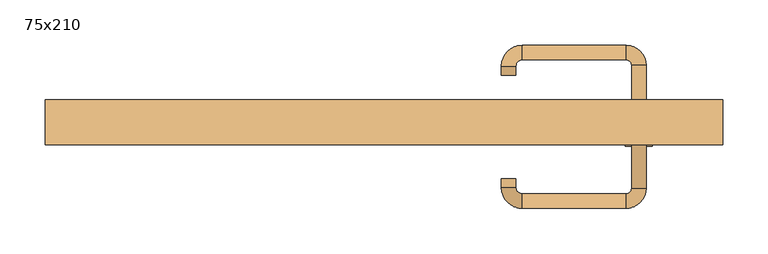
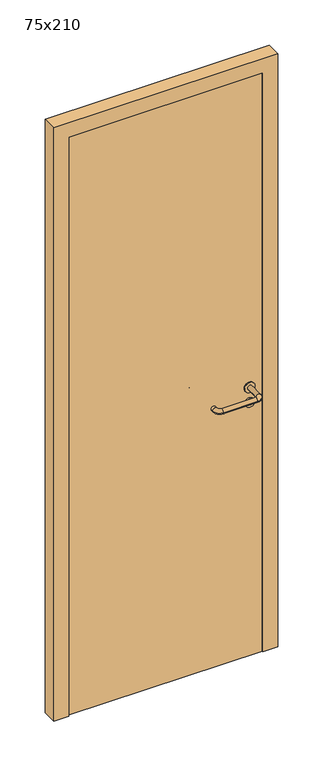
"""IFC4 building model written with IfcOpenShell, lengths in millimetres: door geometry, 75x210."""

from ifc_helpers import new_model, si_unit, point, frame, frame_2d, origin, origin_with_axes, place, context, project, spatial, polyline, circle_curve, ellipse_curve, trimmed, segment, composite_curve, outline, extrude, source, transform, mapped, element, save
from ifc_brep_helpers import plane_surface, cylinder_surface, revolved_surface, advanced_brep


def door_75x210_94205342(model_context):
    return source(origin(), model_context, "Body", "SolidModel", [
        extrude(outline(composite_curve([segment(trimmed(circle_curve(frame_2d((897.3605726, 282.0)), 15.0), [point((897.3605726, 297.0))], [point((897.3605726, 267.0))], False, "CARTESIAN"), True, "CONTINUOUS"), segment(trimmed(circle_curve(frame_2d((897.3605726, 282.0)), 15.0), [point((897.3605726, 267.0))], [point((897.3605726, 297.0))], False, "CARTESIAN"), True, "CONTINUOUS")], self_intersect=False), holes=[composite_curve([segment(trimmed(circle_curve(frame_2d((892.5833211, 281.9398032)), 2.0), [point((892.5833211, 283.9398032))], [point((892.5833211, 279.9398032))], True, "CARTESIAN"), True, "CONTINUOUS"), segment(polyline([(892.5833211, 279.9398032), (902.5833211, 279.9398032)]), True, "CONTINUOUS"), segment(trimmed(circle_curve(frame_2d((902.5833211, 281.9398032)), 2.0), [point((902.5833211, 279.9398032))], [point((902.5833211, 283.9398032))], True, "CARTESIAN"), True, "CONTINUOUS"), segment(polyline([(902.5833211, 283.9398032), (892.5833211, 283.9398032)]), True, "CONTINUOUS")], self_intersect=False)]), frame((0.0, -65.0, 0.0), z_axis=(0.0, 1.0, 0.0), x_axis=(0.0, 0.0, 1.0)), (0.0, 0.0, 1.0), 6.35),
        extrude(outline(composite_curve([segment(trimmed(circle_curve(frame_2d((950.0, 282.0)), 17.526), [point((950.0, 299.526))], [point((950.0, 264.474))], False, "CARTESIAN"), True, "CONTINUOUS"), segment(trimmed(circle_curve(frame_2d((950.0, 282.0)), 17.526), [point((950.0, 264.474))], [point((950.0, 299.526))], False, "CARTESIAN"), True, "CONTINUOUS")], self_intersect=False)), frame((0.0, -65.0, 0.0), z_axis=(0.0, 1.0, 0.0), x_axis=(0.0, 0.0, 1.0)), (0.0, 0.0, 1.0), 3.175),
        advanced_brep(
        [(290.0, -65.0, 950.0), (274.0, -65.0, 950.0), (290.0, -12.0, 950.0), (274.0, -12.0, 950.0), (267.8578644, -5.8578644, 950.0), (267.8578644, 10.1421356, 950.0), (152.8578644, 10.1421356, 950.0), (152.8578644, -5.8578644, 950.0), (146.008622, -12.7071068, 950.0), (130.008622, -12.7071068, 950.0), (130.008622, -22.7071068, 950.0), (146.008622, -22.7071068, 950.0)],
        [
            (0, 1, circle_curve(frame((282.0, -65.0, 950.0), z_axis=(0.0, -1.0, 0.0), x_axis=(-1.0, 0.0, 0.0)), 8.0)),
            (1, 0, circle_curve(frame((282.0, -65.0, 950.0), z_axis=(0.0, -1.0, 0.0), x_axis=(-1.0, 0.0, 0.0)), 8.0)),
            (0, 2),
            (2, 3, circle_curve(frame((282.0, -12.0, 950.0), z_axis=(0.0, -1.0, 0.0), x_axis=(-1.0, 0.0, 0.0)), 8.0)),
            (3, 1),
            (3, 2, circle_curve(frame((282.0, -12.0, 950.0), z_axis=(0.0, -1.0, 0.0), x_axis=(-1.0, 0.0, 0.0)), 8.0)),
            (4, 3, circle_curve(frame((267.8578644, -12.0, 950.0), z_axis=(0.0, 0.0, -1.0), x_axis=(1.0, 0.0, 0.0)), 6.1421356)),
            (2, 5, circle_curve(frame((267.8578644, -12.0, 950.0), z_axis=(0.0, 0.0, 1.0), x_axis=(1.0, 0.0, 0.0)), 22.1421356)),
            (5, 4, circle_curve(frame((267.8578644, 2.1421356, 950.0), z_axis=(1.0, 0.0, 0.0), x_axis=(0.0, -1.0, 0.0)), 8.0)),
            (4, 5, circle_curve(frame((267.8578644, 2.1421356, 950.0), z_axis=(1.0, 0.0, 0.0), x_axis=(0.0, -1.0, 0.0)), 8.0)),
            (5, 6),
            (6, 7, circle_curve(frame((152.8578644, 2.1421356, 950.0), z_axis=(1.0, 0.0, 0.0), x_axis=(0.0, -1.0, 0.0)), 8.0)),
            (7, 4),
            (7, 6, circle_curve(frame((152.8578644, 2.1421356, 950.0), z_axis=(1.0, 0.0, 0.0), x_axis=(0.0, -1.0, 0.0)), 8.0)),
            (8, 7, circle_curve(frame((152.8578644, -12.7071068, 950.0), z_axis=(0.0, 0.0, -1.0), x_axis=(0.0, 1.0, 0.0)), 6.8492424)),
            (6, 9, circle_curve(frame((152.8578644, -12.7071068, 950.0), z_axis=(0.0, 0.0, 1.0), x_axis=(0.0, 1.0, 0.0)), 22.8492424)),
            (9, 8, circle_curve(frame((138.008622, -12.7071068, 950.0), z_axis=(0.0, 1.0, 0.0), x_axis=(1.0, 0.0, 0.0)), 8.0)),
            (8, 9, circle_curve(frame((138.008622, -12.7071068, 950.0), z_axis=(0.0, 1.0, 0.0), x_axis=(1.0, 0.0, 0.0)), 8.0)),
            (10, 11, circle_curve(frame((138.008622, -22.7071068, 950.0), z_axis=(0.0, -1.0, 0.0), x_axis=(1.0, 0.0, 0.0)), 8.0)),
            (11, 10, circle_curve(frame((138.008622, -22.7071068, 950.0), z_axis=(0.0, -1.0, 0.0), x_axis=(1.0, 0.0, 0.0)), 8.0)),
            (9, 10),
            (11, 8),
        ],
        [
            plane_surface(frame((282.0, -65.0, 0.0), z_axis=(0.0, -1.0, 0.0), x_axis=(0.0, 0.0, 1.0))),
            cylinder_surface(frame((282.0, -65.0, 950.0), z_axis=(0.0, -1.0, 0.0), x_axis=(-1.0, 0.0, 0.0)), 8.0),
            revolved_surface(trimmed(ellipse_curve(frame((282.0, -12.0, 950.0), z_axis=(0.0, -1.0, 0.0), x_axis=(-1.0, 0.0, 0.0)), 8.0, 8.0), [point((290.0, -12.0, 950.0))], [point((274.0, -12.0, 950.0))], True, "CARTESIAN"), (267.8578644, -12.0, 0.0), (0.0, 0.0, 1.0)),
            revolved_surface(trimmed(ellipse_curve(frame((282.0, -12.0, 950.0), z_axis=(0.0, -1.0, 0.0), x_axis=(-1.0, 0.0, 0.0)), 8.0, 8.0), [point((274.0, -12.0, 950.0))], [point((290.0, -12.0, 950.0))], True, "CARTESIAN"), (267.8578644, -12.0, 0.0), (0.0, 0.0, 1.0)),
            cylinder_surface(frame((267.8578644, 2.1421356, 950.0), z_axis=(1.0, 0.0, 0.0), x_axis=(0.0, -1.0, 0.0)), 8.0),
            revolved_surface(trimmed(ellipse_curve(frame((152.8578644, 2.1421356, 950.0), z_axis=(1.0, 0.0, 0.0), x_axis=(0.0, -1.0, 0.0)), 8.0, 8.0), [point((152.8578644, 10.1421356, 950.0))], [point((152.8578644, -5.8578644, 950.0))], True, "CARTESIAN"), (152.8578644, -12.7071068, 0.0), (0.0, 0.0, 1.0)),
            revolved_surface(trimmed(ellipse_curve(frame((152.8578644, 2.1421356, 950.0), z_axis=(1.0, 0.0, 0.0), x_axis=(0.0, -1.0, 0.0)), 8.0, 8.0), [point((152.8578644, -5.8578644, 950.0))], [point((152.8578644, 10.1421356, 950.0))], True, "CARTESIAN"), (152.8578644, -12.7071068, 0.0), (0.0, 0.0, 1.0)),
            plane_surface(frame((138.008622, -22.7071068, 0.0), z_axis=(0.0, -1.0, 0.0), x_axis=(0.0, 0.0, 1.0))),
            cylinder_surface(frame((138.008622, -12.7071068, 950.0), z_axis=(0.0, 1.0, 0.0), x_axis=(1.0, 0.0, 0.0)), 8.0),
        ],
        [
            (0, [[1, 2]]),
            (1, [[-1, 3, 4, 5]]),
            (1, [[-2, -5, 6, -3]]),
            (2, [[7, -4, 8, 9]]),
            (3, [[-8, -6, -7, 10]]),
            (4, [[-9, 11, 12, 13]]),
            (4, [[-10, -13, 14, -11]]),
            (5, [[15, -12, 16, 17]]),
            (6, [[-16, -14, -15, 18]]),
            (7, [[19, 20]]),
            (8, [[-17, 21, -20, 22]]),
            (8, [[-18, -22, -19, -21]]),
        ],
    ),
        extrude(outline(composite_curve([segment(trimmed(circle_curve(frame_2d((0.0, 15.0)), 15.0), [point((0.0, 30.0))], [point((0.0, 0.0))], False, "CARTESIAN"), True, "CONTINUOUS"), segment(trimmed(circle_curve(frame_2d((0.0, 15.0)), 15.0), [point((0.0, 0.0))], [point((0.0, 30.0))], False, "CARTESIAN"), True, "CONTINUOUS")], self_intersect=False), holes=[composite_curve([segment(trimmed(circle_curve(frame_2d((-4.7772515, 14.9398032)), 2.0), [point((-4.7772515, 16.9398032))], [point((-4.7772515, 12.9398032))], True, "CARTESIAN"), True, "CONTINUOUS"), segment(polyline([(-4.7772515, 12.9398032), (5.2227485, 12.9398032)]), True, "CONTINUOUS"), segment(trimmed(circle_curve(frame_2d((5.2227485, 14.9398032)), 2.0), [point((5.2227485, 12.9398032))], [point((5.2227485, 16.9398032))], True, "CARTESIAN"), True, "CONTINUOUS"), segment(polyline([(5.2227485, 16.9398032), (-4.7772515, 16.9398032)]), True, "CONTINUOUS")], self_intersect=False)]), frame((267.0, -101.35, 897.3605726), z_axis=(-1.8870575173328306e-12, 1.0, 0.0), x_axis=(0.0, 0.0, 1.0)), (0.0, 0.0, 1.0), 6.35),
        extrude(outline(composite_curve([segment(trimmed(circle_curve(frame_2d((0.0, 17.526)), 17.526), [point((0.0, 35.052))], [point((0.0, 0.0))], False, "CARTESIAN"), True, "CONTINUOUS"), segment(trimmed(circle_curve(frame_2d((0.0, 17.526)), 17.526), [point((0.0, 0.0))], [point((0.0, 35.052))], False, "CARTESIAN"), True, "CONTINUOUS")], self_intersect=False)), frame((264.474, -98.175, 950.0), z_axis=(-1.8870575173328306e-12, 1.0, 0.0), x_axis=(0.0, 0.0, 1.0)), (0.0, 0.0, 1.0), 3.175),
        advanced_brep(
        [(290.0, -95.0, 950.0), (274.0, -95.0, 950.0), (274.0, -148.0, 950.0), (290.0, -148.0, 950.0), (267.8578644, -154.1421356, 950.0), (267.8578644, -170.1421356, 950.0), (152.8578644, -154.1421356, 950.0), (152.8578644, -170.1421356, 950.0), (146.008622, -147.2928932, 950.0), (130.008622, -147.2928932, 950.0), (130.008622, -137.2928932, 950.0), (146.008622, -137.2928932, 950.0)],
        [
            (0, 1, circle_curve(frame((282.0, -95.0, 950.0), z_axis=(-1.888672253512351e-12, 1.0, 0.0), x_axis=(-1.0, -1.888672253512351e-12, 0.0)), 8.0)),
            (1, 0, circle_curve(frame((282.0, -95.0, 950.0), z_axis=(-1.888672253512351e-12, 1.0, 0.0), x_axis=(-1.0, -1.888672253512351e-12, 0.0)), 8.0)),
            (1, 2),
            (2, 3, circle_curve(frame((282.0, -148.0, 950.0), z_axis=(-1.888672253512351e-12, 1.0, 0.0), x_axis=(-1.0, -1.888672253512351e-12, 0.0)), 8.0)),
            (3, 0),
            (3, 2, circle_curve(frame((282.0, -148.0, 950.0), z_axis=(-1.888672253512351e-12, 1.0, 0.0), x_axis=(-1.0, -1.888672253512351e-12, 0.0)), 8.0)),
            (4, 5, circle_curve(frame((267.8578644, -162.1421356, 950.0), z_axis=(1.0, 1.913702061528922e-12, 0.0), x_axis=(-1.913702061528922e-12, 1.0, 0.0)), 8.0)),
            (5, 3, circle_curve(frame((267.8578644, -148.0, 950.0), z_axis=(0.0, 0.0, 1.0), x_axis=(1.0, 1.880717803715015e-12, 0.0)), 22.1421356)),
            (2, 4, circle_curve(frame((267.8578644, -148.0, 950.0), z_axis=(0.0, 0.0, -1.0), x_axis=(1.0, 1.880717803715015e-12, 0.0)), 6.1421356)),
            (5, 4, circle_curve(frame((267.8578644, -162.1421356, 950.0), z_axis=(1.0, 1.913702061528922e-12, 0.0), x_axis=(-1.913702061528922e-12, 1.0, 0.0)), 8.0)),
            (4, 6),
            (6, 7, circle_curve(frame((152.8578644, -162.1421356, 950.0), z_axis=(1.0, 1.913719828541269e-12, 0.0), x_axis=(-1.913719828541269e-12, 1.0, 0.0)), 8.0)),
            (7, 5),
            (7, 6, circle_curve(frame((152.8578644, -162.1421356, 950.0), z_axis=(1.0, 1.913719828541269e-12, 0.0), x_axis=(-1.913719828541269e-12, 1.0, 0.0)), 8.0)),
            (8, 9, circle_curve(frame((138.008622, -147.2928932, 950.0), z_axis=(1.8888942981172756e-12, -1.0, 0.0), x_axis=(1.0, 1.8888942981172756e-12, 0.0)), 8.0)),
            (9, 7, circle_curve(frame((152.8578644, -147.2928932, 950.0), z_axis=(0.0, 0.0, 1.0), x_axis=(1.9120873253494017e-12, -1.0, 0.0)), 22.8492424)),
            (6, 8, circle_curve(frame((152.8578644, -147.2928932, 950.0), z_axis=(0.0, 0.0, -1.0), x_axis=(1.9120873253494017e-12, -1.0, 0.0)), 6.8492424)),
            (9, 8, circle_curve(frame((138.008622, -147.2928932, 950.0), z_axis=(1.890448610351751e-12, -1.0, 0.0), x_axis=(1.0, 1.890448610351751e-12, 0.0)), 8.0)),
            (10, 11, circle_curve(frame((138.008622, -137.2928932, 950.0), z_axis=(-1.8903642334018795e-12, 1.0, 0.0), x_axis=(1.0, 1.8903642334018795e-12, 0.0)), 8.0)),
            (11, 10, circle_curve(frame((138.008622, -137.2928932, 950.0), z_axis=(-1.8903642334018795e-12, 1.0, 0.0), x_axis=(1.0, 1.8903642334018795e-12, 0.0)), 8.0)),
            (8, 11),
            (10, 9),
        ],
        [
            plane_surface(frame((282.0, -95.0, 0.0), z_axis=(-1.8870575173328306e-12, 1.0, 0.0), x_axis=(0.0, 0.0, 1.0))),
            cylinder_surface(frame((282.0, -95.0, 950.0), z_axis=(-1.888672253512351e-12, 1.0, 0.0), x_axis=(-1.0, -1.888672253512351e-12, 0.0)), 8.0),
            revolved_surface(trimmed(ellipse_curve(frame((282.0, -148.0, 950.0), z_axis=(1.8823325398945356e-12, -1.0, 0.0), x_axis=(-1.0, -1.8823325398945356e-12, 0.0)), 8.0, 8.0), [point((290.0, -148.0, 950.0))], [point((274.0, -148.0, 950.0))], True, "CARTESIAN"), (267.8578644, -148.0, 0.0), (0.0, 0.0, 1.0)),
            revolved_surface(trimmed(ellipse_curve(frame((282.0, -148.0, 950.0), z_axis=(1.8823325398945356e-12, -1.0, 0.0), x_axis=(-1.0, -1.8823325398945356e-12, 0.0)), 8.0, 8.0), [point((274.0, -148.0, 950.0))], [point((290.0, -148.0, 950.0))], True, "CARTESIAN"), (267.8578644, -148.0, 0.0), (0.0, 0.0, 1.0)),
            cylinder_surface(frame((267.8578644, -162.1421356, 950.0), z_axis=(1.0, 1.913719828541269e-12, 0.0), x_axis=(-1.913719828541269e-12, 1.0, 0.0)), 8.0),
            revolved_surface(trimmed(ellipse_curve(frame((152.8578644, -162.1421356, 950.0), z_axis=(-1.0, -1.913702061528922e-12, 0.0), x_axis=(-1.913702061528922e-12, 1.0, 0.0)), 8.0, 8.0), [point((152.8578644, -170.1421356, 950.0))], [point((152.8578644, -154.1421356, 950.0))], True, "CARTESIAN"), (152.8578644, -147.2928932, 0.0), (0.0, 0.0, 1.0)),
            revolved_surface(trimmed(ellipse_curve(frame((152.8578644, -162.1421356, 950.0), z_axis=(-1.0, -1.913702061528922e-12, 0.0), x_axis=(-1.913702061528922e-12, 1.0, 0.0)), 8.0, 8.0), [point((152.8578644, -154.1421356, 950.0))], [point((152.8578644, -170.1421356, 950.0))], True, "CARTESIAN"), (152.8578644, -147.2928932, 0.0), (0.0, 0.0, 1.0)),
            plane_surface(frame((138.008622, -137.2928932, 0.0), z_axis=(-1.8887494972223595e-12, 1.0, 0.0), x_axis=(0.0, 0.0, 1.0))),
            cylinder_surface(frame((138.008622, -147.2928932, 950.0), z_axis=(1.8903642334018795e-12, -1.0, 0.0), x_axis=(1.0, 1.8903642334018795e-12, 0.0)), 8.0),
        ],
        [
            (0, [[1, 2]]),
            (1, [[3, 4, 5, -2]]),
            (1, [[-5, 6, -3, -1]]),
            (2, [[7, 8, -4, 9]]),
            (3, [[10, -9, -6, -8]]),
            (4, [[11, 12, 13, -7]]),
            (4, [[-13, 14, -11, -10]]),
            (5, [[15, 16, -12, 17]]),
            (6, [[18, -17, -14, -16]]),
            (7, [[19, 20]]),
            (8, [[21, -19, 22, -15]]),
            (8, [[-22, -20, -21, -18]]),
        ],
    ),
        extrude(outline(polyline([(2050.0, 325.0), (0.0, 325.0), (0.0, 375.0), (2100.0, 375.0), (2100.0, -375.0), (0.0, -375.0), (0.0, -325.0), (2050.0, -325.0), (2050.0, 325.0)])), frame((0.0, -100.0, 0.0), z_axis=(0.0, 1.0, 0.0), x_axis=(0.0, 0.0, 1.0)), (0.0, 0.0, 1.0), 50.0),
        extrude(outline(polyline([(-325.0, -95.0), (-325.0, -65.0), (325.0, -65.0), (325.0, -95.0), (-325.0, -95.0)])), origin_with_axes(), (0.0, 0.0, 1.0), 2050.0),
    ])


if __name__ == "__main__":
    model = new_model("IFC4")
    model_context = context("Model", 3, world=origin())
    ifc_project = project(units=[si_unit("LENGTHUNIT", "METRE", prefix="MILLI")], contexts=[model_context])
    site = spatial("IfcSite", under=ifc_project)
    building = spatial("IfcBuilding", under=site)
    placement = place(None, origin())
    door_75x210_shape = door_75x210_94205342(model_context)
    element("IfcDoor", 1, ObjectType="75x210", at=placement, inside=building, context=model_context, shape_type="MappedRepresentation", body=[
        mapped(door_75x210_shape, transform((0.0, 0.0, 0.0), x_axis=(1.0, 0.0, 0.0), y_axis=(0.0, 1.0, 0.0), z_axis=(0.0, 0.0, 1.0))),
    ])
    save(model, "model.ifc")
